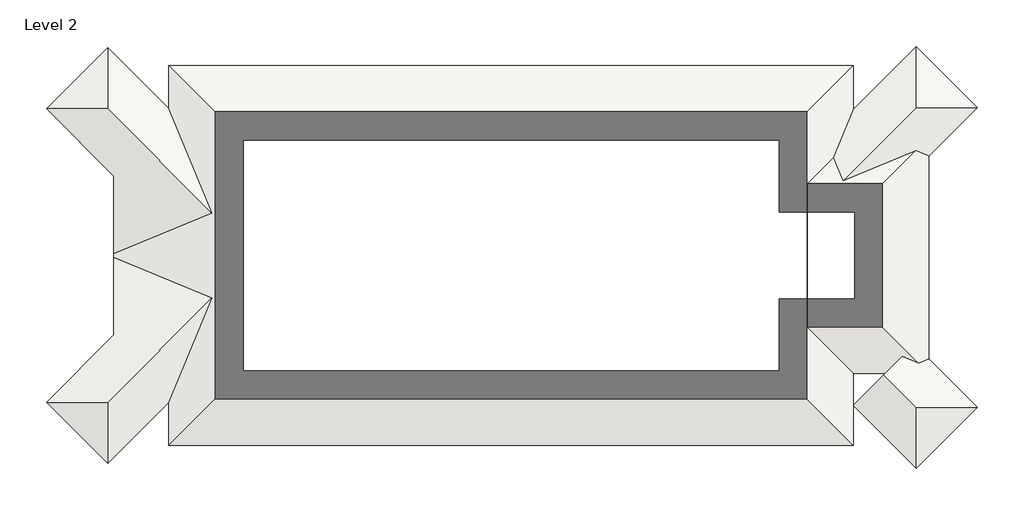
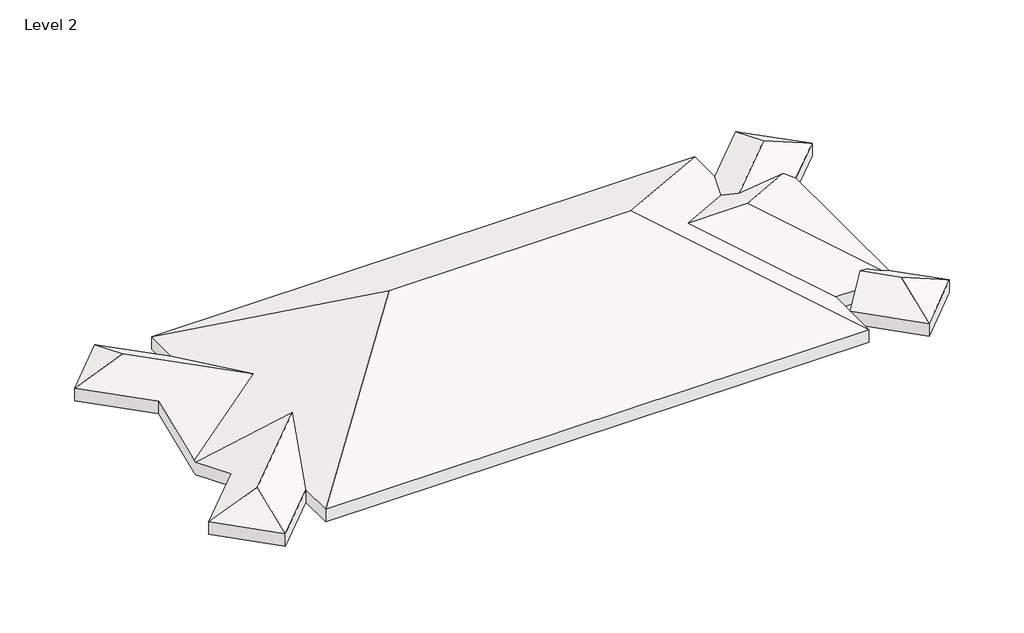
# One storey: 3 roofs.
"""IFC4 building model written with IfcOpenShell, lengths in millimetres."""

from ifc_helpers import new_model, si_unit, origin, place, context, project, spatial, faceted_brep, element, save

model = new_model("IFC4")

# Units and contexts
model_context = context("Model", 3, world=origin())
ifc_project = project(units=[si_unit("LENGTHUNIT", "METRE", prefix="MILLI")], contexts=[model_context])

# Site, building, storey
site = spatial("IfcSite", under=ifc_project)
building = spatial("IfcBuilding", under=site)
storey = spatial("IfcBuildingStorey", under=building, Name="Level 2", Elevation=4000.0)

# Roofs
placement = place(None, origin())
element("IfcRoof", 1, ObjectType="Generic - 400mm", at=placement, inside=storey, context=model_context, shape_type="Brep", body=[
    faceted_brep([(-10206.1701839, -2292.7851649, 4000.0), (-8509.113909, -2292.7851649, 4692.820323), (-8509.113909, -3989.8414398, 4000.0), (-5612.0576342, 604.2711099, 4692.820323), (-6812.0576342, -2292.7851649, 4000.0), (12207.9423658, -1492.7851649, 4000.0), (8929.5264182, 1785.6307827, 5892.7943299), (11029.5264182, 1785.6307827, 5892.7943299), (14307.9423658, -1492.7851649, 4000.0), (14307.9423658, 5064.0467304, 4000.0), (12207.9423658, -3492.7851649, 4000.0), (6929.5264182, 1785.6307827, 7047.4948683), (12207.9423658, 7064.0467304, 4000.0), (12207.9423658, 5064.0467304, 4000.0), (-1533.6416865, 1785.6307827, 7047.4948683), (-6812.0576342, 7064.0467304, 4000.0), (-8339.4082815, -426.0232626, 4000.0), (-8339.4082815, 1733.9767374, 3118.1836926), (-6812.0576342, -3492.7851649, 4000.0), (-8509.113909, 7561.1030052, 4000.0), (-8509.113909, 5864.0467304, 4692.820323), (-10206.1701839, 5864.0467304, 4000.0), (-6812.0576342, 5864.0467304, 4000.0), (-5612.0576342, 2966.9904555, 4692.820323), (-8339.4082815, 1837.284828, 3118.1836926), (-8339.4082815, 3997.284828, 4000.0), (-10206.1701839, -2292.7851649, 4461.8802154), (-8509.113909, -3989.8414398, 4461.8802154), (-8509.113909, -2292.7851649, 5154.7005384), (-6812.0576342, -2292.7851649, 4461.8802154), (-5612.0576342, 604.2711099, 5154.7005384), (12207.9423658, -1492.7851649, 4461.8802154), (14307.9423658, -1492.7851649, 4461.8802154), (11029.5264182, 1785.6307827, 6354.6745452), (8929.5264182, 1785.6307827, 6354.6745452), (12207.9423658, -3492.7851649, 4461.8802154), (12207.9423658, 5064.0467304, 4461.8802154), (12207.9423658, 7064.0467304, 4461.8802154), (6929.5264182, 1785.6307827, 7509.3750836), (-6812.0576342, 7064.0467304, 4461.8802154), (-1533.6416865, 1785.6307827, 7509.3750836), (14307.9423658, 5064.0467304, 4461.8802154), (-8339.4082815, -426.0232626, 4461.8802154), (-8339.4082815, 1733.9767374, 3580.0639079), (-6812.0576342, -3492.7851649, 4461.8802154), (-8509.113909, 7561.1030052, 4461.8802154), (-10206.1701839, 5864.0467304, 4461.8802154), (-8509.113909, 5864.0467304, 5154.7005384), (-6812.0576342, 5864.0467304, 4461.8802154), (-5612.0576342, 2966.9904555, 5154.7005384), (-8339.4082815, 1837.284828, 3580.0639079), (-8339.4082815, 3997.284828, 4461.8802154)], [[[0, 1, 2]], [[2, 1, 3, 4]], [[5, 6, 7, 8]], [[8, 7, 9]], [[10, 11, 12, 13, 6, 5]], [[12, 11, 14, 15]], [[16, 17, 3, 1, 0]], [[18, 14, 11, 10]], [[19, 20, 21]], [[22, 23, 20, 19]], [[18, 4, 3, 17, 24, 23, 22, 15, 14]], [[9, 7, 6, 13]], [[25, 21, 20, 23, 24]], [[26, 27, 28]], [[27, 29, 30, 28]], [[31, 32, 33, 34]], [[35, 31, 34, 36, 37, 38]], [[37, 39, 40, 38]], [[32, 41, 33]], [[42, 26, 28, 30, 43]], [[44, 35, 38, 40]], [[45, 46, 47]], [[48, 45, 47, 49]], [[29, 44, 40, 39, 48, 49, 50, 43, 30]], [[41, 36, 34, 33]], [[51, 50, 49, 47, 46]], [[0, 26, 42, 16]], [[2, 27, 26, 0]], [[4, 29, 27, 2]], [[18, 44, 29, 4]], [[10, 35, 44, 18]], [[5, 31, 35, 10]], [[8, 32, 31, 5]], [[9, 41, 32, 8]], [[13, 36, 41, 9]], [[12, 37, 36, 13]], [[15, 39, 37, 12]], [[22, 48, 39, 15]], [[19, 45, 48, 22]], [[21, 46, 45, 19]], [[25, 51, 46, 21]], [[42, 43, 50, 51, 25, 24, 17, 16]]]),
])
element("IfcRoof", 2, ObjectType="Generic - 400mm", at=placement, inside=storey, context=model_context, shape_type="Brep", body=[
    faceted_brep([(12719.6436247, 4664.0467304, 4692.820323), (12553.9581997, 5064.0467304, 4461.8802154), (12207.9423658, 5064.0467304, 4320.6198427), (12207.9423658, 5849.4017464, 4000.0), (13957.3342168, 7598.7935974, 4000.0), (13957.3342168, 5901.7373225, 4692.820323), (15654.3904917, 5901.7373225, 4000.0), (14307.9423658, 4555.2891967, 4000.0), (14307.9423658, 5064.0467304, 4207.6993934), (13685.3290496, 5064.0467304, 4461.8802154), (12207.9423658, 5849.4017464, 4461.8802154), (11652.6125084, 4508.7168729, 4782.500058), (11919.6436247, 3864.0467304, 5154.7005384), (13957.3342168, 5901.7373225, 5154.7005384), (13957.3342168, 7598.7935974, 4461.8802154), (15654.3904917, 5901.7373225, 4461.8802154), (14307.9423658, 4555.2891967, 4461.8802154), (13948.1964638, 4704.3008283, 4669.5796087), (14307.9423658, 5064.0467304, 4461.8802154), (12207.9423658, 5064.0467304, 4461.8802154)], [[[0, 1, 2, 3, 4, 5]], [[6, 5, 4]], [[7, 8, 9, 0, 5, 6]], [[10, 11, 12, 13, 14]], [[15, 14, 13]], [[16, 15, 13, 12, 17]], [[6, 15, 16, 7]], [[4, 14, 15, 6]], [[3, 10, 14, 4]], [[16, 17, 18]], [[17, 12, 11, 19, 1, 0, 9, 18]], [[11, 10, 19]], [[10, 3, 2, 19]], [[9, 8, 18]], [[8, 7, 16, 18]], [[2, 1, 19]]]),
])
element("IfcRoof", 3, ObjectType="Generic - 400mm", at=placement, inside=storey, context=model_context, shape_type="Brep", body=[
    faceted_brep([(13056.4705033, -1532.9201341, 4692.820323), (13904.9986407, -684.3919967, 4000.0), (15654.3904917, -2433.7838477, 4000.0), (13957.3342168, -2433.7838477, 4692.820323), (13957.3342168, -4130.8401225, 4000.0), (12207.9423658, -2381.4482716, 4000.0), (13904.9986407, -684.3919967, 4461.8802154), (13056.4705033, -1532.9201341, 5154.7005384), (13957.3342168, -2433.7838477, 5154.7005384), (15654.3904917, -2433.7838477, 4461.8802154), (13957.3342168, -4130.8401225, 4461.8802154), (12207.9423658, -2381.4482716, 4461.8802154)], [[[0, 1, 2, 3]], [[4, 3, 2]], [[5, 0, 3, 4]], [[6, 7, 8, 9]], [[10, 9, 8]], [[11, 10, 8, 7]], [[4, 10, 11, 5]], [[2, 9, 10, 4]], [[1, 6, 9, 2]], [[11, 7, 6, 1, 0, 5]]]),
])

save(model, "model.ifc")
